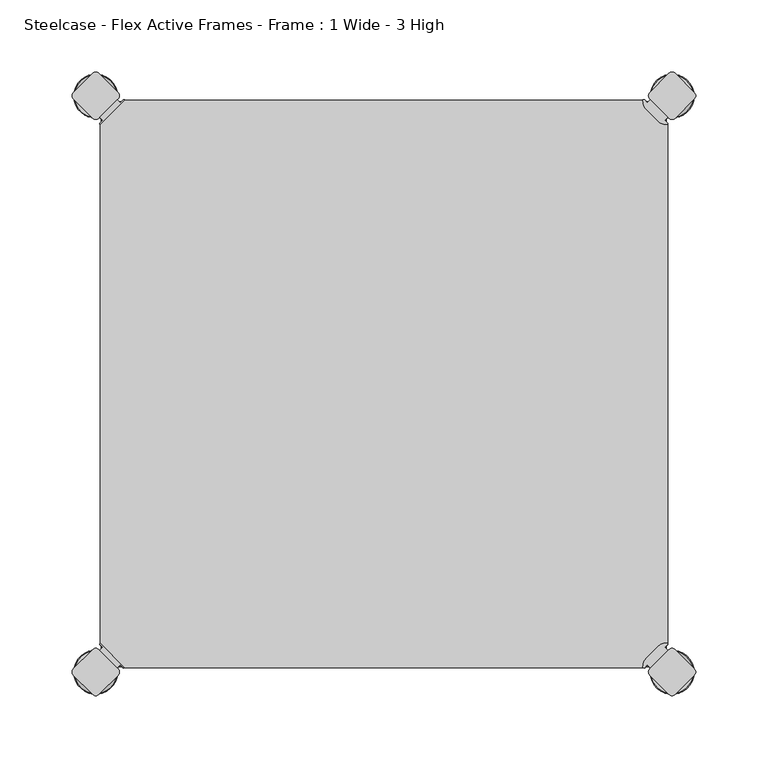
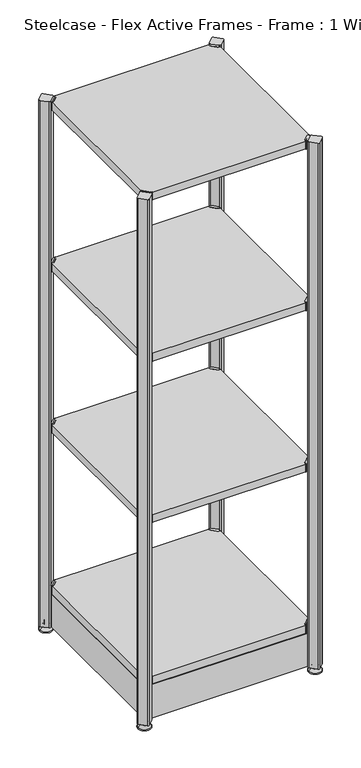
"""IFC4 building model written with IfcOpenShell, lengths in millimetres: furniture geometry, Steelcase - Flex Active Frames - Frame : 1 Wide - 3 High."""

from ifc_helpers import new_model, si_unit, point, frame, frame_2d, origin, place, context, project, spatial, polyline, circle_curve, ellipse_curve, trimmed, segment, composite_curve, outline, extrude, source, transform, mapped, element, save
from ifc_brep_helpers import plane_surface, cylinder_surface, revolved_surface, advanced_brep


def steelcase_flex_active_frames_frame_1_wide_3_high_52087cf2(model_context):
    return source(origin(), model_context, "Body", "SolidModel", [
        advanced_brep(
        [(397.0189896, -396.9286835, 0.0), (410.9677105, -396.9286835, 0.0), (383.0702688, -396.9286835, 0.0), (411.9146181, -396.9286835, 2.116325), (382.1233612, -396.9286835, 2.116325), (405.7623742, -396.9286835, 8.9997406), (388.2756051, -396.9286835, 8.9997406), (404.4198582, -396.9286835, 8.9997406), (389.6181211, -396.9286835, 8.9997406), (404.4198582, -396.9286835, 12.0919909), (389.6181211, -396.9286835, 12.0919909), (403.9118582, -396.9286835, 12.5999909), (390.1261211, -396.9286835, 12.5999909), (401.03832, -396.9286835, 12.5999909), (392.9996593, -396.9286835, 12.5999909), (401.03832, -396.9286835, 22.7146261), (392.9996593, -396.9286835, 22.7146261), (397.0189896, -396.9286835, 22.7146261)],
        [
            (0, 1),
            (1, 2, circle_curve(frame((397.0189896, -396.9286835, 0.0), z_axis=(0.0, 0.0, -1.0), x_axis=(1.0, 0.0, 0.0)), 13.9487209)),
            (2, 0),
            (2, 1, circle_curve(frame((397.0189896, -396.9286835, 0.0), z_axis=(0.0, 0.0, -1.0), x_axis=(1.0, 0.0, 0.0)), 13.9487209)),
            (1, 3, circle_curve(frame((410.9677105, -396.9286835, 1.27), z_axis=(0.0, -1.0, 0.0), x_axis=(1.0, 0.0, 0.0)), 1.27)),
            (3, 4, circle_curve(frame((397.0189896, -396.9286835, 2.116325), z_axis=(0.0, 0.0, -1.0), x_axis=(1.0, 0.0, 0.0)), 14.8956285)),
            (4, 2, circle_curve(frame((383.0702688, -396.9286835, 1.27), z_axis=(0.0, -1.0, 0.0), x_axis=(-1.0, 0.0, 0.0)), 1.27)),
            (4, 3, circle_curve(frame((397.0189896, -396.9286835, 2.116325), z_axis=(0.0, 0.0, -1.0), x_axis=(1.0, 0.0, 0.0)), 14.8956285)),
            (3, 5),
            (5, 6, circle_curve(frame((397.0189896, -396.9286835, 8.9997406), z_axis=(0.0, 0.0, -1.0), x_axis=(1.0, 0.0, 0.0)), 8.7433846)),
            (6, 4),
            (6, 5, circle_curve(frame((397.0189896, -396.9286835, 8.9997406), z_axis=(0.0, 0.0, -1.0), x_axis=(1.0, 0.0, 0.0)), 8.7433846)),
            (5, 7),
            (7, 8, circle_curve(frame((397.0189896, -396.9286835, 8.9997406), z_axis=(0.0, 0.0, -1.0), x_axis=(1.0, 0.0, 0.0)), 7.4008685)),
            (8, 6),
            (8, 7, circle_curve(frame((397.0189896, -396.9286835, 8.9997406), z_axis=(0.0, 0.0, -1.0), x_axis=(1.0, 0.0, 0.0)), 7.4008685)),
            (7, 9),
            (9, 10, circle_curve(frame((397.0189896, -396.9286835, 12.0919909), z_axis=(0.0, 0.0, -1.0), x_axis=(1.0, 0.0, 0.0)), 7.4008685)),
            (10, 8),
            (10, 9, circle_curve(frame((397.0189896, -396.9286835, 12.0919909), z_axis=(0.0, 0.0, -1.0), x_axis=(1.0, 0.0, 0.0)), 7.4008685)),
            (9, 11, circle_curve(frame((403.9118582, -396.9286835, 12.0919909), z_axis=(0.0, -1.0, 0.0), x_axis=(1.0, 0.0, 0.0)), 0.508)),
            (11, 12, circle_curve(frame((397.0189896, -396.9286835, 12.5999909), z_axis=(0.0, 0.0, -1.0), x_axis=(1.0, 0.0, 0.0)), 6.8928685)),
            (12, 10, circle_curve(frame((390.1261211, -396.9286835, 12.0919909), z_axis=(0.0, -1.0, 0.0), x_axis=(-1.0, 0.0, 0.0)), 0.508)),
            (12, 11, circle_curve(frame((397.0189896, -396.9286835, 12.5999909), z_axis=(0.0, 0.0, -1.0), x_axis=(1.0, 0.0, 0.0)), 6.8928685)),
            (11, 13),
            (13, 14, circle_curve(frame((397.0189896, -396.9286835, 12.5999909), z_axis=(0.0, 0.0, -1.0), x_axis=(1.0, 0.0, 0.0)), 4.0193303)),
            (14, 12),
            (14, 13, circle_curve(frame((397.0189896, -396.9286835, 12.5999909), z_axis=(0.0, 0.0, -1.0), x_axis=(1.0, 0.0, 0.0)), 4.0193303)),
            (13, 15),
            (15, 16, circle_curve(frame((397.0189896, -396.9286835, 22.7146261), z_axis=(0.0, 0.0, -1.0), x_axis=(1.0, 0.0, 0.0)), 4.0193303)),
            (16, 14),
            (16, 15, circle_curve(frame((397.0189896, -396.9286835, 22.7146261), z_axis=(0.0, 0.0, -1.0), x_axis=(1.0, 0.0, 0.0)), 4.0193303)),
            (15, 17),
            (17, 16),
        ],
        [
            plane_surface(frame((397.0189896, -396.9286835, 0.0), z_axis=(0.0, 0.0, -1.0), x_axis=(1.0, 0.0, 0.0))),
            revolved_surface(trimmed(ellipse_curve(frame((410.9677105, -396.9286835, 1.27), z_axis=(0.0, 1.0, 0.0), x_axis=(1.0, 0.0, 0.0)), 1.27, 1.27), [point((411.9146181, -396.9286835, 2.116325))], [point((410.9677105, -396.9286835, 0.0))], True, "CARTESIAN"), (397.0189896, -396.9286835, 32.0514718), (0.0, 0.0, -1.0)),
            revolved_surface(polyline([(405.7623742, -396.9286835, 8.9997406), (411.9146181, -396.9286835, 2.116325)]), (397.0189896, -396.9286835, 32.0514718), (0.0, 0.0, -1.0)),
            plane_surface(frame((397.0189896, -396.9286835, 8.9997406), z_axis=(0.0, 0.0, 1.0), x_axis=(1.0, 0.0, 0.0))),
            cylinder_surface(frame((397.0189896, -396.9286835, 32.0514718), z_axis=(0.0, 0.0, -1.0), x_axis=(1.0, 0.0, 0.0)), 7.4008685),
            revolved_surface(trimmed(ellipse_curve(frame((403.9118582, -396.9286835, 12.0919909), z_axis=(0.0, 1.0, 0.0), x_axis=(1.0, 0.0, 0.0)), 0.508, 0.508), [point((403.9118582, -396.9286835, 12.5999909))], [point((404.4198582, -396.9286835, 12.0919909))], True, "CARTESIAN"), (397.0189896, -396.9286835, 32.0514718), (0.0, 0.0, -1.0)),
            plane_surface(frame((397.0189896, -396.9286835, 12.5999909), z_axis=(0.0, 0.0, 1.0), x_axis=(1.0, 0.0, 0.0))),
            cylinder_surface(frame((397.0189896, -396.9286835, 32.0514718), z_axis=(0.0, 0.0, -1.0), x_axis=(1.0, 0.0, 0.0)), 4.0193303),
            plane_surface(frame((397.0189896, -396.9286835, 22.7146261), z_axis=(0.0, 0.0, 1.0), x_axis=(1.0, 0.0, 0.0))),
        ],
        [
            (0, [[1, 2, 3]]),
            (0, [[-3, 4, -1]]),
            (1, [[-2, 5, 6, 7]]),
            (1, [[-4, -7, 8, -5]]),
            (2, [[-6, 9, 10, 11]]),
            (2, [[-8, -11, 12, -9]]),
            (3, [[-10, 13, 14, 15]]),
            (3, [[-12, -15, 16, -13]]),
            (4, [[-14, 17, 18, 19]]),
            (4, [[-16, -19, 20, -17]]),
            (5, [[-18, 21, 22, 23]]),
            (5, [[-20, -23, 24, -21]]),
            (6, [[-22, 25, 26, 27]]),
            (6, [[-24, -27, 28, -25]]),
            (7, [[-26, 29, 30, 31]]),
            (7, [[-28, -31, 32, -29]]),
            (8, [[-30, 33, 34]]),
            (8, [[-32, -34, -33]]),
        ],
    ),
        advanced_brep(
        [(397.0189896, 2.9246323, 0.0), (383.0702688, 2.9246323, 0.0), (410.9677105, 2.9246323, 0.0), (382.1233612, 2.9246323, 2.116325), (411.9146181, 2.9246323, 2.116325), (388.2756051, 2.9246323, 8.9997406), (405.7623742, 2.9246323, 8.9997406), (389.6181211, 2.9246323, 8.9997406), (404.4198582, 2.9246323, 8.9997406), (389.6181211, 2.9246323, 12.0919909), (404.4198582, 2.9246323, 12.0919909), (390.1261211, 2.9246323, 12.5999909), (403.9118582, 2.9246323, 12.5999909), (392.9996593, 2.9246323, 12.5999909), (401.03832, 2.9246323, 12.5999909), (392.9996593, 2.9246323, 22.7146261), (401.03832, 2.9246323, 22.7146261), (397.0189896, 2.9246323, 22.7146261)],
        [
            (0, 1),
            (1, 2, circle_curve(frame((397.0189896, 2.9246323, 0.0), z_axis=(0.0, 0.0, -1.0), x_axis=(1.0, 0.0, 0.0)), 13.9487209)),
            (2, 0),
            (2, 1, circle_curve(frame((397.0189896, 2.9246323, 0.0), z_axis=(0.0, 0.0, -1.0), x_axis=(1.0, 0.0, 0.0)), 13.9487209)),
            (1, 3, circle_curve(frame((383.0702688, 2.9246323, 1.27), z_axis=(0.0, 1.0, 0.0), x_axis=(-1.0, 0.0, 0.0)), 1.27)),
            (3, 4, circle_curve(frame((397.0189896, 2.9246323, 2.116325), z_axis=(0.0, 0.0, -1.0), x_axis=(1.0, 0.0, 0.0)), 14.8956285)),
            (4, 2, circle_curve(frame((410.9677105, 2.9246323, 1.27), z_axis=(0.0, 1.0, 0.0), x_axis=(1.0, 0.0, 0.0)), 1.27)),
            (4, 3, circle_curve(frame((397.0189896, 2.9246323, 2.116325), z_axis=(0.0, 0.0, -1.0), x_axis=(1.0, 0.0, 0.0)), 14.8956285)),
            (3, 5),
            (5, 6, circle_curve(frame((397.0189896, 2.9246323, 8.9997406), z_axis=(0.0, 0.0, -1.0), x_axis=(1.0, 0.0, 0.0)), 8.7433846)),
            (6, 4),
            (6, 5, circle_curve(frame((397.0189896, 2.9246323, 8.9997406), z_axis=(0.0, 0.0, -1.0), x_axis=(1.0, 0.0, 0.0)), 8.7433846)),
            (5, 7),
            (7, 8, circle_curve(frame((397.0189896, 2.9246323, 8.9997406), z_axis=(0.0, 0.0, -1.0), x_axis=(1.0, 0.0, 0.0)), 7.4008685)),
            (8, 6),
            (8, 7, circle_curve(frame((397.0189896, 2.9246323, 8.9997406), z_axis=(0.0, 0.0, -1.0), x_axis=(1.0, 0.0, 0.0)), 7.4008685)),
            (7, 9),
            (9, 10, circle_curve(frame((397.0189896, 2.9246323, 12.0919909), z_axis=(0.0, 0.0, -1.0), x_axis=(1.0, 0.0, 0.0)), 7.4008685)),
            (10, 8),
            (10, 9, circle_curve(frame((397.0189896, 2.9246323, 12.0919909), z_axis=(0.0, 0.0, -1.0), x_axis=(1.0, 0.0, 0.0)), 7.4008685)),
            (9, 11, circle_curve(frame((390.1261211, 2.9246323, 12.0919909), z_axis=(0.0, 1.0, 0.0), x_axis=(-1.0, 0.0, 0.0)), 0.508)),
            (11, 12, circle_curve(frame((397.0189896, 2.9246323, 12.5999909), z_axis=(0.0, 0.0, -1.0), x_axis=(1.0, 0.0, 0.0)), 6.8928685)),
            (12, 10, circle_curve(frame((403.9118582, 2.9246323, 12.0919909), z_axis=(0.0, 1.0, 0.0), x_axis=(1.0, 0.0, 0.0)), 0.508)),
            (12, 11, circle_curve(frame((397.0189896, 2.9246323, 12.5999909), z_axis=(0.0, 0.0, -1.0), x_axis=(1.0, 0.0, 0.0)), 6.8928685)),
            (11, 13),
            (13, 14, circle_curve(frame((397.0189896, 2.9246323, 12.5999909), z_axis=(0.0, 0.0, -1.0), x_axis=(1.0, 0.0, 0.0)), 4.0193303)),
            (14, 12),
            (14, 13, circle_curve(frame((397.0189896, 2.9246323, 12.5999909), z_axis=(0.0, 0.0, -1.0), x_axis=(1.0, 0.0, 0.0)), 4.0193303)),
            (13, 15),
            (15, 16, circle_curve(frame((397.0189896, 2.9246323, 22.7146261), z_axis=(0.0, 0.0, -1.0), x_axis=(1.0, 0.0, 0.0)), 4.0193303)),
            (16, 14),
            (16, 15, circle_curve(frame((397.0189896, 2.9246323, 22.7146261), z_axis=(0.0, 0.0, -1.0), x_axis=(1.0, 0.0, 0.0)), 4.0193303)),
            (15, 17),
            (17, 16),
        ],
        [
            plane_surface(frame((397.0189896, 2.9246323, 0.0), z_axis=(0.0, 0.0, -1.0), x_axis=(1.0, 0.0, 0.0))),
            revolved_surface(trimmed(ellipse_curve(frame((410.9677105, 2.9246323, 1.27), z_axis=(0.0, 1.0, 0.0), x_axis=(1.0, 0.0, 0.0)), 1.27, 1.27), [point((411.9146181, 2.9246323, 2.116325))], [point((410.9677105, 2.9246323, 0.0))], True, "CARTESIAN"), (397.0189896, 2.9246323, 32.0514718), (0.0, 0.0, -1.0)),
            revolved_surface(polyline([(405.7623742, 2.9246323, 8.9997406), (411.9146181, 2.9246323, 2.116325)]), (397.0189896, 2.9246323, 32.0514718), (0.0, 0.0, -1.0)),
            plane_surface(frame((397.0189896, 2.9246323, 8.9997406), z_axis=(0.0, 0.0, 1.0), x_axis=(1.0, 0.0, 0.0))),
            cylinder_surface(frame((397.0189896, 2.9246323, 32.0514718), z_axis=(0.0, 0.0, -1.0), x_axis=(1.0, 0.0, 0.0)), 7.4008685),
            revolved_surface(trimmed(ellipse_curve(frame((403.9118582, 2.9246323, 12.0919909), z_axis=(0.0, 1.0, 0.0), x_axis=(1.0, 0.0, 0.0)), 0.508, 0.508), [point((403.9118582, 2.9246323, 12.5999909))], [point((404.4198582, 2.9246323, 12.0919909))], True, "CARTESIAN"), (397.0189896, 2.9246323, 32.0514718), (0.0, 0.0, -1.0)),
            plane_surface(frame((397.0189896, 2.9246323, 12.5999909), z_axis=(0.0, 0.0, 1.0), x_axis=(1.0, 0.0, 0.0))),
            cylinder_surface(frame((397.0189896, 2.9246323, 32.0514718), z_axis=(0.0, 0.0, -1.0), x_axis=(1.0, 0.0, 0.0)), 4.0193303),
            plane_surface(frame((397.0189896, 2.9246323, 22.7146261), z_axis=(0.0, 0.0, 1.0), x_axis=(1.0, 0.0, 0.0))),
        ],
        [
            (0, [[1, 2, 3]]),
            (0, [[-3, 4, -1]]),
            (1, [[5, 6, 7, -2]]),
            (1, [[-7, 8, -5, -4]]),
            (2, [[9, 10, 11, -6]]),
            (2, [[-11, 12, -9, -8]]),
            (3, [[13, 14, 15, -10]]),
            (3, [[-15, 16, -13, -12]]),
            (4, [[17, 18, 19, -14]]),
            (4, [[-19, 20, -17, -16]]),
            (5, [[21, 22, 23, -18]]),
            (5, [[-23, 24, -21, -20]]),
            (6, [[25, 26, 27, -22]]),
            (6, [[-27, 28, -25, -24]]),
            (7, [[29, 30, 31, -26]]),
            (7, [[-31, 32, -29, -28]]),
            (8, [[33, 34, -30]]),
            (8, [[-34, -33, -32]]),
        ],
    ),
        advanced_brep(
        [(-3.0195166, -396.8786323, 0.0), (10.9292042, -396.8786323, 0.0), (-16.9682375, -396.8786323, 0.0), (11.8761118, -396.8786323, 2.116325), (-17.9151451, -396.8786323, 2.116325), (5.7238679, -396.8786323, 8.9997406), (-11.7629012, -396.8786323, 8.9997406), (4.3813519, -396.8786323, 8.9997406), (-10.4203852, -396.8786323, 8.9997406), (4.3813519, -396.8786323, 12.0919909), (-10.4203852, -396.8786323, 12.0919909), (3.8733519, -396.8786323, 12.5999909), (-9.9123852, -396.8786323, 12.5999909), (0.9998137, -396.8786323, 12.5999909), (-7.038847, -396.8786323, 12.5999909), (0.9998137, -396.8786323, 22.7146261), (-7.038847, -396.8786323, 22.7146261), (-3.0195166, -396.8786323, 22.7146261)],
        [
            (0, 1),
            (1, 2, circle_curve(frame((-3.0195166, -396.8786323, 0.0), z_axis=(0.0, 0.0, -1.0), x_axis=(-1.0, 0.0, 0.0)), 13.9487209)),
            (2, 0),
            (2, 1, circle_curve(frame((-3.0195166, -396.8786323, 0.0), z_axis=(0.0, 0.0, -1.0), x_axis=(-1.0, 0.0, 0.0)), 13.9487209)),
            (1, 3, circle_curve(frame((10.9292042, -396.8786323, 1.27), z_axis=(0.0, -1.0, 0.0), x_axis=(1.0, 0.0, 0.0)), 1.27)),
            (3, 4, circle_curve(frame((-3.0195166, -396.8786323, 2.116325), z_axis=(0.0, 0.0, -1.0), x_axis=(-1.0, 0.0, 0.0)), 14.8956285)),
            (4, 2, circle_curve(frame((-16.9682375, -396.8786323, 1.27), z_axis=(0.0, -1.0, 0.0), x_axis=(-1.0, 0.0, 0.0)), 1.27)),
            (4, 3, circle_curve(frame((-3.0195166, -396.8786323, 2.116325), z_axis=(0.0, 0.0, -1.0), x_axis=(-1.0, 0.0, 0.0)), 14.8956285)),
            (3, 5),
            (5, 6, circle_curve(frame((-3.0195166, -396.8786323, 8.9997406), z_axis=(0.0, 0.0, -1.0), x_axis=(-1.0, 0.0, 0.0)), 8.7433846)),
            (6, 4),
            (6, 5, circle_curve(frame((-3.0195166, -396.8786323, 8.9997406), z_axis=(0.0, 0.0, -1.0), x_axis=(-1.0, 0.0, 0.0)), 8.7433846)),
            (5, 7),
            (7, 8, circle_curve(frame((-3.0195166, -396.8786323, 8.9997406), z_axis=(0.0, 0.0, -1.0), x_axis=(-1.0, 0.0, 0.0)), 7.4008685)),
            (8, 6),
            (8, 7, circle_curve(frame((-3.0195166, -396.8786323, 8.9997406), z_axis=(0.0, 0.0, -1.0), x_axis=(-1.0, 0.0, 0.0)), 7.4008685)),
            (7, 9),
            (9, 10, circle_curve(frame((-3.0195166, -396.8786323, 12.0919909), z_axis=(0.0, 0.0, -1.0), x_axis=(-1.0, 0.0, 0.0)), 7.4008685)),
            (10, 8),
            (10, 9, circle_curve(frame((-3.0195166, -396.8786323, 12.0919909), z_axis=(0.0, 0.0, -1.0), x_axis=(-1.0, 0.0, 0.0)), 7.4008685)),
            (9, 11, circle_curve(frame((3.8733519, -396.8786323, 12.0919909), z_axis=(0.0, -1.0, 0.0), x_axis=(1.0, 0.0, 0.0)), 0.508)),
            (11, 12, circle_curve(frame((-3.0195166, -396.8786323, 12.5999909), z_axis=(0.0, 0.0, -1.0), x_axis=(-1.0, 0.0, 0.0)), 6.8928685)),
            (12, 10, circle_curve(frame((-9.9123852, -396.8786323, 12.0919909), z_axis=(0.0, -1.0, 0.0), x_axis=(-1.0, 0.0, 0.0)), 0.508)),
            (12, 11, circle_curve(frame((-3.0195166, -396.8786323, 12.5999909), z_axis=(0.0, 0.0, -1.0), x_axis=(-1.0, 0.0, 0.0)), 6.8928685)),
            (11, 13),
            (13, 14, circle_curve(frame((-3.0195166, -396.8786323, 12.5999909), z_axis=(0.0, 0.0, -1.0), x_axis=(-1.0, 0.0, 0.0)), 4.0193303)),
            (14, 12),
            (14, 13, circle_curve(frame((-3.0195166, -396.8786323, 12.5999909), z_axis=(0.0, 0.0, -1.0), x_axis=(-1.0, 0.0, 0.0)), 4.0193303)),
            (13, 15),
            (15, 16, circle_curve(frame((-3.0195166, -396.8786323, 22.7146261), z_axis=(0.0, 0.0, -1.0), x_axis=(-1.0, 0.0, 0.0)), 4.0193303)),
            (16, 14),
            (16, 15, circle_curve(frame((-3.0195166, -396.8786323, 22.7146261), z_axis=(0.0, 0.0, -1.0), x_axis=(-1.0, 0.0, 0.0)), 4.0193303)),
            (15, 17),
            (17, 16),
        ],
        [
            plane_surface(frame((-3.0195166, -396.8786323, 0.0), z_axis=(0.0, 0.0, -1.0), x_axis=(-1.0, 0.0, 0.0))),
            revolved_surface(trimmed(ellipse_curve(frame((-16.9682375, -396.8786323, 1.27), z_axis=(0.0, -1.0, 0.0), x_axis=(-1.0, 0.0, 0.0)), 1.27, 1.27), [point((-17.9151451, -396.8786323, 2.116325))], [point((-16.9682375, -396.8786323, 0.0))], True, "CARTESIAN"), (-3.0195166, -396.8786323, 32.0514718), (0.0, 0.0, -1.0)),
            revolved_surface(polyline([(-11.7629012, -396.8786323, 8.9997406), (-17.9151451, -396.8786323, 2.116325)]), (-3.0195166, -396.8786323, 32.0514718), (0.0, 0.0, -1.0)),
            plane_surface(frame((-3.0195166, -396.8786323, 8.9997406), z_axis=(0.0, 0.0, 1.0), x_axis=(-1.0, 0.0, 0.0))),
            cylinder_surface(frame((-3.0195166, -396.8786323, 32.0514718), z_axis=(0.0, 0.0, -1.0), x_axis=(-1.0, 0.0, 0.0)), 7.4008685),
            revolved_surface(trimmed(ellipse_curve(frame((-9.9123852, -396.8786323, 12.0919909), z_axis=(0.0, -1.0, 0.0), x_axis=(-1.0, 0.0, 0.0)), 0.508, 0.508), [point((-9.9123852, -396.8786323, 12.5999909))], [point((-10.4203852, -396.8786323, 12.0919909))], True, "CARTESIAN"), (-3.0195166, -396.8786323, 32.0514718), (0.0, 0.0, -1.0)),
            plane_surface(frame((-3.0195166, -396.8786323, 12.5999909), z_axis=(0.0, 0.0, 1.0), x_axis=(-1.0, 0.0, 0.0))),
            cylinder_surface(frame((-3.0195166, -396.8786323, 32.0514718), z_axis=(0.0, 0.0, -1.0), x_axis=(-1.0, 0.0, 0.0)), 4.0193303),
            plane_surface(frame((-3.0195166, -396.8786323, 22.7146261), z_axis=(0.0, 0.0, 1.0), x_axis=(-1.0, 0.0, 0.0))),
        ],
        [
            (0, [[1, 2, 3]]),
            (0, [[-3, 4, -1]]),
            (1, [[5, 6, 7, -2]]),
            (1, [[-7, 8, -5, -4]]),
            (2, [[9, 10, 11, -6]]),
            (2, [[-11, 12, -9, -8]]),
            (3, [[13, 14, 15, -10]]),
            (3, [[-15, 16, -13, -12]]),
            (4, [[17, 18, 19, -14]]),
            (4, [[-19, 20, -17, -16]]),
            (5, [[21, 22, 23, -18]]),
            (5, [[-23, 24, -21, -20]]),
            (6, [[25, 26, 27, -22]]),
            (6, [[-27, 28, -25, -24]]),
            (7, [[29, 30, 31, -26]]),
            (7, [[-31, 32, -29, -28]]),
            (8, [[33, 34, -30]]),
            (8, [[-34, -33, -32]]),
        ],
    ),
        advanced_brep(
        [(-3.0195166, 2.9246323, 0.0), (-16.9682375, 2.9246323, 0.0), (10.9292042, 2.9246323, 0.0), (-17.9151451, 2.9246323, 2.116325), (11.8761118, 2.9246323, 2.116325), (-11.7629012, 2.9246323, 8.9997406), (5.7238679, 2.9246323, 8.9997406), (-10.4203852, 2.9246323, 8.9997406), (4.3813519, 2.9246323, 8.9997406), (-10.4203852, 2.9246323, 12.0919909), (4.3813519, 2.9246323, 12.0919909), (-9.9123852, 2.9246323, 12.5999909), (3.8733519, 2.9246323, 12.5999909), (-7.038847, 2.9246323, 12.5999909), (0.9998137, 2.9246323, 12.5999909), (-7.038847, 2.9246323, 22.7146261), (0.9998137, 2.9246323, 22.7146261), (-3.0195166, 2.9246323, 22.7146261)],
        [
            (0, 1),
            (1, 2, circle_curve(frame((-3.0195166, 2.9246323, 0.0), z_axis=(0.0, 0.0, -1.0), x_axis=(-1.0, 0.0, 0.0)), 13.9487209)),
            (2, 0),
            (2, 1, circle_curve(frame((-3.0195166, 2.9246323, 0.0), z_axis=(0.0, 0.0, -1.0), x_axis=(-1.0, 0.0, 0.0)), 13.9487209)),
            (1, 3, circle_curve(frame((-16.9682375, 2.9246323, 1.27), z_axis=(0.0, 1.0, 0.0), x_axis=(-1.0, 0.0, 0.0)), 1.27)),
            (3, 4, circle_curve(frame((-3.0195166, 2.9246323, 2.116325), z_axis=(0.0, 0.0, -1.0), x_axis=(-1.0, 0.0, 0.0)), 14.8956285)),
            (4, 2, circle_curve(frame((10.9292042, 2.9246323, 1.27), z_axis=(0.0, 1.0, 0.0), x_axis=(1.0, 0.0, 0.0)), 1.27)),
            (4, 3, circle_curve(frame((-3.0195166, 2.9246323, 2.116325), z_axis=(0.0, 0.0, -1.0), x_axis=(-1.0, 0.0, 0.0)), 14.8956285)),
            (3, 5),
            (5, 6, circle_curve(frame((-3.0195166, 2.9246323, 8.9997406), z_axis=(0.0, 0.0, -1.0), x_axis=(-1.0, 0.0, 0.0)), 8.7433846)),
            (6, 4),
            (6, 5, circle_curve(frame((-3.0195166, 2.9246323, 8.9997406), z_axis=(0.0, 0.0, -1.0), x_axis=(-1.0, 0.0, 0.0)), 8.7433846)),
            (5, 7),
            (7, 8, circle_curve(frame((-3.0195166, 2.9246323, 8.9997406), z_axis=(0.0, 0.0, -1.0), x_axis=(-1.0, 0.0, 0.0)), 7.4008685)),
            (8, 6),
            (8, 7, circle_curve(frame((-3.0195166, 2.9246323, 8.9997406), z_axis=(0.0, 0.0, -1.0), x_axis=(-1.0, 0.0, 0.0)), 7.4008685)),
            (7, 9),
            (9, 10, circle_curve(frame((-3.0195166, 2.9246323, 12.0919909), z_axis=(0.0, 0.0, -1.0), x_axis=(-1.0, 0.0, 0.0)), 7.4008685)),
            (10, 8),
            (10, 9, circle_curve(frame((-3.0195166, 2.9246323, 12.0919909), z_axis=(0.0, 0.0, -1.0), x_axis=(-1.0, 0.0, 0.0)), 7.4008685)),
            (9, 11, circle_curve(frame((-9.9123852, 2.9246323, 12.0919909), z_axis=(0.0, 1.0, 0.0), x_axis=(-1.0, 0.0, 0.0)), 0.508)),
            (11, 12, circle_curve(frame((-3.0195166, 2.9246323, 12.5999909), z_axis=(0.0, 0.0, -1.0), x_axis=(-1.0, 0.0, 0.0)), 6.8928685)),
            (12, 10, circle_curve(frame((3.8733519, 2.9246323, 12.0919909), z_axis=(0.0, 1.0, 0.0), x_axis=(1.0, 0.0, 0.0)), 0.508)),
            (12, 11, circle_curve(frame((-3.0195166, 2.9246323, 12.5999909), z_axis=(0.0, 0.0, -1.0), x_axis=(-1.0, 0.0, 0.0)), 6.8928685)),
            (11, 13),
            (13, 14, circle_curve(frame((-3.0195166, 2.9246323, 12.5999909), z_axis=(0.0, 0.0, -1.0), x_axis=(-1.0, 0.0, 0.0)), 4.0193303)),
            (14, 12),
            (14, 13, circle_curve(frame((-3.0195166, 2.9246323, 12.5999909), z_axis=(0.0, 0.0, -1.0), x_axis=(-1.0, 0.0, 0.0)), 4.0193303)),
            (13, 15),
            (15, 16, circle_curve(frame((-3.0195166, 2.9246323, 22.7146261), z_axis=(0.0, 0.0, -1.0), x_axis=(-1.0, 0.0, 0.0)), 4.0193303)),
            (16, 14),
            (16, 15, circle_curve(frame((-3.0195166, 2.9246323, 22.7146261), z_axis=(0.0, 0.0, -1.0), x_axis=(-1.0, 0.0, 0.0)), 4.0193303)),
            (15, 17),
            (17, 16),
        ],
        [
            plane_surface(frame((-3.0195166, 2.9246323, 0.0), z_axis=(0.0, 0.0, -1.0), x_axis=(-1.0, 0.0, 0.0))),
            revolved_surface(trimmed(ellipse_curve(frame((-16.9682375, 2.9246323, 1.27), z_axis=(0.0, -1.0, 0.0), x_axis=(-1.0, 0.0, 0.0)), 1.27, 1.27), [point((-17.9151451, 2.9246323, 2.116325))], [point((-16.9682375, 2.9246323, 0.0))], True, "CARTESIAN"), (-3.0195166, 2.9246323, 32.0514718), (0.0, 0.0, -1.0)),
            revolved_surface(polyline([(-11.7629012, 2.9246323, 8.9997406), (-17.9151451, 2.9246323, 2.116325)]), (-3.0195166, 2.9246323, 32.0514718), (0.0, 0.0, -1.0)),
            plane_surface(frame((-3.0195166, 2.9246323, 8.9997406), z_axis=(0.0, 0.0, 1.0), x_axis=(-1.0, 0.0, 0.0))),
            cylinder_surface(frame((-3.0195166, 2.9246323, 32.0514718), z_axis=(0.0, 0.0, -1.0), x_axis=(-1.0, 0.0, 0.0)), 7.4008685),
            revolved_surface(trimmed(ellipse_curve(frame((-9.9123852, 2.9246323, 12.0919909), z_axis=(0.0, -1.0, 0.0), x_axis=(-1.0, 0.0, 0.0)), 0.508, 0.508), [point((-9.9123852, 2.9246323, 12.5999909))], [point((-10.4203852, 2.9246323, 12.0919909))], True, "CARTESIAN"), (-3.0195166, 2.9246323, 32.0514718), (0.0, 0.0, -1.0)),
            plane_surface(frame((-3.0195166, 2.9246323, 12.5999909), z_axis=(0.0, 0.0, 1.0), x_axis=(-1.0, 0.0, 0.0))),
            cylinder_surface(frame((-3.0195166, 2.9246323, 32.0514718), z_axis=(0.0, 0.0, -1.0), x_axis=(-1.0, 0.0, 0.0)), 4.0193303),
            plane_surface(frame((-3.0195166, 2.9246323, 22.7146261), z_axis=(0.0, 0.0, 1.0), x_axis=(-1.0, 0.0, 0.0))),
        ],
        [
            (0, [[1, 2, 3]]),
            (0, [[-3, 4, -1]]),
            (1, [[-2, 5, 6, 7]]),
            (1, [[-4, -7, 8, -5]]),
            (2, [[-6, 9, 10, 11]]),
            (2, [[-8, -11, 12, -9]]),
            (3, [[-10, 13, 14, 15]]),
            (3, [[-12, -15, 16, -13]]),
            (4, [[-14, 17, 18, 19]]),
            (4, [[-16, -19, 20, -17]]),
            (5, [[-18, 21, 22, 23]]),
            (5, [[-20, -23, 24, -21]]),
            (6, [[-22, 25, 26, 27]]),
            (6, [[-24, -27, 28, -25]]),
            (7, [[-26, 29, 30, 31]]),
            (7, [[-28, -31, 32, -29]]),
            (8, [[-30, 33, 34]]),
            (8, [[-32, -34, -33]]),
        ],
    ),
        extrude(outline(composite_curve([segment(polyline([(379.8559087, -1.93874), (381.9438741, 0.1493247), (394.1381758, -12.044977), (392.050245, -14.1329326), (394.0211787, -16.1038431), (394.0089928, -17.203916), (391.2738542, -16.8384277)]), True, "CONTINUOUS"), segment(trimmed(circle_curve(frame_2d((392.1149096, -10.5443729)), 6.35), [point((391.2738542, -16.8384277))], [point((387.6247514, -15.0344708))], False, "CARTESIAN"), True, "CONTINUOUS"), segment(polyline([(387.6247514, -15.0344708), (378.9554584, -6.3650612)]), True, "CONTINUOUS"), segment(trimmed(circle_curve(frame_2d((383.4456166, -1.8749633)), 6.35), [point((378.9554584, -6.3650612))], [point((377.1515853, -2.7161946))], False, "CARTESIAN"), True, "CONTINUOUS"), segment(polyline([(377.1515853, -2.7161946), (376.786013, 0.0189911), (377.8859459, 0.0311996), (379.8559087, -1.93874)]), True, "CONTINUOUS")], self_intersect=False)), frame((0.0, 0.0, 1296.4822014), z_axis=(0.0, 0.0, 1.0), x_axis=(1.0, 0.0, 0.0)), (0.0, 0.0, 1.0), 20.2281258),
        extrude(outline(composite_curve([segment(polyline([(379.8559087, -392.01526), (377.8859459, -393.9851996), (376.786013, -393.9729911), (377.1515853, -391.2378054)]), True, "CONTINUOUS"), segment(trimmed(circle_curve(frame_2d((383.4456166, -392.0790367)), 6.35), [point((377.1515853, -391.2378054))], [point((378.9554584, -387.5889388))], False, "CARTESIAN"), True, "CONTINUOUS"), segment(polyline([(378.9554584, -387.5889388), (387.6247514, -378.9195292)]), True, "CONTINUOUS"), segment(trimmed(circle_curve(frame_2d((392.1149096, -383.4096271)), 6.35), [point((387.6247514, -378.9195292))], [point((391.2738542, -377.1155723))], False, "CARTESIAN"), True, "CONTINUOUS"), segment(polyline([(391.2738542, -377.1155723), (394.0089928, -376.750084), (394.0211787, -377.8501569), (392.050245, -379.8210674), (394.1381758, -381.909023), (381.9438741, -394.1033247), (379.8559087, -392.01526)]), True, "CONTINUOUS")], self_intersect=False)), frame((0.0, 0.0, 1296.4822014), z_axis=(0.0, 0.0, 1.0), x_axis=(1.0, 0.0, 0.0)), (0.0, 0.0, 1.0), 20.2281258),
        extrude(outline(polyline([(0.0003876, -376.7599914), (0.0003876, -17.1940086), (17.1943962, 0.0), (376.8050768, 0.0), (393.9990854, -17.1940086), (393.9990854, -376.7599914), (376.8050768, -393.954), (17.1943962, -393.954), (0.0003876, -376.7599914)])), frame((0.0, 0.0, 1297.499678), z_axis=(0.0, 0.0, 1.0), x_axis=(1.0, 0.0, 0.0)), (0.0, 0.0, 1.0), 19.0000031),
        extrude(outline(composite_curve([segment(polyline([(14.1435643, -1.93874), (16.1135271, 0.0311996), (17.21346, 0.0189911), (16.8478877, -2.7161946)]), True, "CONTINUOUS"), segment(trimmed(circle_curve(frame_2d((10.5538564, -1.8749633)), 6.35), [point((16.8478877, -2.7161946))], [point((15.0440146, -6.3650612))], False, "CARTESIAN"), True, "CONTINUOUS"), segment(polyline([(15.0440146, -6.3650612), (6.3747216, -15.0344708)]), True, "CONTINUOUS"), segment(trimmed(circle_curve(frame_2d((1.8845634, -10.5443729)), 6.35), [point((6.3747216, -15.0344708))], [point((2.7256188, -16.8384277))], False, "CARTESIAN"), True, "CONTINUOUS"), segment(polyline([(2.7256188, -16.8384277), (-0.0095198, -17.203916), (-0.0217057, -16.1038431), (1.949228, -14.1329326), (-0.1387028, -12.044977), (12.0555989, 0.1493247), (14.1435643, -1.93874)]), True, "CONTINUOUS")], self_intersect=False)), frame((0.0, 0.0, 1296.4822014), z_axis=(0.0, 0.0, 1.0), x_axis=(1.0, 0.0, 0.0)), (0.0, 0.0, 1.0), 20.2281258),
        extrude(outline(composite_curve([segment(polyline([(14.1435643, -392.01526), (12.0555989, -394.1033247), (-0.1387028, -381.909023), (1.949228, -379.8210674), (-0.0217057, -377.8501569), (-0.0095198, -376.750084), (2.7256188, -377.1155723)]), True, "CONTINUOUS"), segment(trimmed(circle_curve(frame_2d((1.8845634, -383.4096271)), 6.35), [point((2.7256188, -377.1155723))], [point((6.3747216, -378.9195292))], False, "CARTESIAN"), True, "CONTINUOUS"), segment(polyline([(6.3747216, -378.9195292), (15.0440146, -387.5889388)]), True, "CONTINUOUS"), segment(trimmed(circle_curve(frame_2d((10.5538564, -392.0790367)), 6.35), [point((15.0440146, -387.5889388))], [point((16.8478877, -391.2378054))], False, "CARTESIAN"), True, "CONTINUOUS"), segment(polyline([(16.8478877, -391.2378054), (17.21346, -393.9729911), (16.1135271, -393.9851996), (14.1435643, -392.01526)]), True, "CONTINUOUS")], self_intersect=False)), frame((0.0, 0.0, 1296.4822014), z_axis=(0.0, 0.0, 1.0), x_axis=(1.0, 0.0, 0.0)), (0.0, 0.0, 1.0), 20.2281258),
        extrude(outline(composite_curve([segment(polyline([(379.8559087, -1.93874), (381.9438741, 0.1493247), (394.1381758, -12.044977), (392.050245, -14.1329326), (394.0211787, -16.1038431), (394.0089928, -17.203916), (391.2738542, -16.8384277)]), True, "CONTINUOUS"), segment(trimmed(circle_curve(frame_2d((392.1149096, -10.5443729)), 6.35), [point((391.2738542, -16.8384277))], [point((387.6247514, -15.0344708))], False, "CARTESIAN"), True, "CONTINUOUS"), segment(polyline([(387.6247514, -15.0344708), (378.9554584, -6.3650612)]), True, "CONTINUOUS"), segment(trimmed(circle_curve(frame_2d((383.4456166, -1.8749633)), 6.35), [point((378.9554584, -6.3650612))], [point((377.1515853, -2.7161946))], False, "CARTESIAN"), True, "CONTINUOUS"), segment(polyline([(377.1515853, -2.7161946), (376.786013, 0.0189911), (377.8859459, 0.0311996), (379.8559087, -1.93874)]), True, "CONTINUOUS")], self_intersect=False)), frame((0.0, 0.0, 896.4822952), z_axis=(0.0, 0.0, 1.0), x_axis=(1.0, 0.0, 0.0)), (0.0, 0.0, 1.0), 20.2281258),
        extrude(outline(composite_curve([segment(polyline([(379.8559087, -392.01526), (377.8859459, -393.9851996), (376.786013, -393.9729911), (377.1515853, -391.2378054)]), True, "CONTINUOUS"), segment(trimmed(circle_curve(frame_2d((383.4456166, -392.0790367)), 6.35), [point((377.1515853, -391.2378054))], [point((378.9554584, -387.5889388))], False, "CARTESIAN"), True, "CONTINUOUS"), segment(polyline([(378.9554584, -387.5889388), (387.6247514, -378.9195292)]), True, "CONTINUOUS"), segment(trimmed(circle_curve(frame_2d((392.1149096, -383.4096271)), 6.35), [point((387.6247514, -378.9195292))], [point((391.2738542, -377.1155723))], False, "CARTESIAN"), True, "CONTINUOUS"), segment(polyline([(391.2738542, -377.1155723), (394.0089928, -376.750084), (394.0211787, -377.8501569), (392.050245, -379.8210674), (394.1381758, -381.909023), (381.9438741, -394.1033247), (379.8559087, -392.01526)]), True, "CONTINUOUS")], self_intersect=False)), frame((0.0, 0.0, 896.4822952), z_axis=(0.0, 0.0, 1.0), x_axis=(1.0, 0.0, 0.0)), (0.0, 0.0, 1.0), 20.2281258),
        extrude(outline(composite_curve([segment(polyline([(379.8559087, -1.93874), (381.9438741, 0.1493247), (394.1381758, -12.044977), (392.050245, -14.1329326), (394.0211787, -16.1038431), (394.0089928, -17.203916), (391.2738542, -16.8384277)]), True, "CONTINUOUS"), segment(trimmed(circle_curve(frame_2d((392.1149096, -10.5443729)), 6.35), [point((391.2738542, -16.8384277))], [point((387.6247514, -15.0344708))], False, "CARTESIAN"), True, "CONTINUOUS"), segment(polyline([(387.6247514, -15.0344708), (378.9554584, -6.3650612)]), True, "CONTINUOUS"), segment(trimmed(circle_curve(frame_2d((383.4456166, -1.8749633)), 6.35), [point((378.9554584, -6.3650612))], [point((377.1515853, -2.7161946))], False, "CARTESIAN"), True, "CONTINUOUS"), segment(polyline([(377.1515853, -2.7161946), (376.786013, 0.0189911), (377.8859459, 0.0311996), (379.8559087, -1.93874)]), True, "CONTINUOUS")], self_intersect=False)), frame((0.0, 0.0, 496.4821468), z_axis=(0.0, 0.0, 1.0), x_axis=(1.0, 0.0, 0.0)), (0.0, 0.0, 1.0), 20.2281258),
        extrude(outline(composite_curve([segment(polyline([(379.8559087, -392.01526), (377.8859459, -393.9851996), (376.786013, -393.9729911), (377.1515853, -391.2378054)]), True, "CONTINUOUS"), segment(trimmed(circle_curve(frame_2d((383.4456166, -392.0790367)), 6.35), [point((377.1515853, -391.2378054))], [point((378.9554584, -387.5889388))], False, "CARTESIAN"), True, "CONTINUOUS"), segment(polyline([(378.9554584, -387.5889388), (387.6247514, -378.9195292)]), True, "CONTINUOUS"), segment(trimmed(circle_curve(frame_2d((392.1149096, -383.4096271)), 6.35), [point((387.6247514, -378.9195292))], [point((391.2738542, -377.1155723))], False, "CARTESIAN"), True, "CONTINUOUS"), segment(polyline([(391.2738542, -377.1155723), (394.0089928, -376.750084), (394.0211787, -377.8501569), (392.050245, -379.8210674), (394.1381758, -381.909023), (381.9438741, -394.1033247), (379.8559087, -392.01526)]), True, "CONTINUOUS")], self_intersect=False)), frame((0.0, 0.0, 496.4821468), z_axis=(0.0, 0.0, 1.0), x_axis=(1.0, 0.0, 0.0)), (0.0, 0.0, 1.0), 20.2281258),
        extrude(outline(composite_curve([segment(polyline([(379.8559087, -1.93874), (381.9438741, 0.1493247), (394.1381758, -12.044977), (392.050245, -14.1329326), (394.0211787, -16.1038431), (394.0089928, -17.203916), (391.2738542, -16.8384277)]), True, "CONTINUOUS"), segment(trimmed(circle_curve(frame_2d((392.1149096, -10.5443729)), 6.35), [point((391.2738542, -16.8384277))], [point((387.6247514, -15.0344708))], False, "CARTESIAN"), True, "CONTINUOUS"), segment(polyline([(387.6247514, -15.0344708), (378.9554584, -6.3650612)]), True, "CONTINUOUS"), segment(trimmed(circle_curve(frame_2d((383.4456166, -1.8749633)), 6.35), [point((378.9554584, -6.3650612))], [point((377.1515853, -2.7161946))], False, "CARTESIAN"), True, "CONTINUOUS"), segment(polyline([(377.1515853, -2.7161946), (376.786013, 0.0189911), (377.8859459, 0.0311996), (379.8559087, -1.93874)]), True, "CONTINUOUS")], self_intersect=False)), frame((0.0, 0.0, 96.4824829), z_axis=(0.0, 0.0, 1.0), x_axis=(1.0, 0.0, 0.0)), (0.0, 0.0, 1.0), 20.2281258),
        extrude(outline(composite_curve([segment(polyline([(379.8559087, -392.01526), (377.8859459, -393.9851996), (376.786013, -393.9729911), (377.1515853, -391.2378054)]), True, "CONTINUOUS"), segment(trimmed(circle_curve(frame_2d((383.4456166, -392.0790367)), 6.35), [point((377.1515853, -391.2378054))], [point((378.9554584, -387.5889388))], False, "CARTESIAN"), True, "CONTINUOUS"), segment(polyline([(378.9554584, -387.5889388), (387.6247514, -378.9195292)]), True, "CONTINUOUS"), segment(trimmed(circle_curve(frame_2d((392.1149096, -383.4096271)), 6.35), [point((387.6247514, -378.9195292))], [point((391.2738542, -377.1155723))], False, "CARTESIAN"), True, "CONTINUOUS"), segment(polyline([(391.2738542, -377.1155723), (394.0089928, -376.750084), (394.0211787, -377.8501569), (392.050245, -379.8210674), (394.1381758, -381.909023), (381.9438741, -394.1033247), (379.8559087, -392.01526)]), True, "CONTINUOUS")], self_intersect=False)), frame((0.0, 0.0, 96.4824829), z_axis=(0.0, 0.0, 1.0), x_axis=(1.0, 0.0, 0.0)), (0.0, 0.0, 1.0), 20.2281258),
        extrude(outline(composite_curve([segment(trimmed(circle_curve(frame_2d((410.3732751, 2.9983545)), 3.048), [point((412.5285497, 5.1536029))], [point((412.5285235, 0.8430799))], False, "CARTESIAN"), True, "CONTINUOUS"), segment(polyline([(412.5285235, 0.8430799), (399.1657586, -12.5195224)]), True, "CONTINUOUS"), segment(trimmed(circle_curve(frame_2d((397.0105103, -10.3642478)), 3.048), [point((399.1657586, -12.5195224))], [point((394.8552379, -12.5194983))], False, "CARTESIAN"), True, "CONTINUOUS"), segment(polyline([(394.8552379, -12.5194983), (381.4927586, 0.8431164)]), True, "CONTINUOUS"), segment(trimmed(circle_curve(frame_2d((383.648031, 2.998367)), 3.048), [point((381.4927586, 0.8431164))], [point((381.4927695, 5.1536284))], False, "CARTESIAN"), True, "CONTINUOUS"), segment(polyline([(381.4927695, 5.1536284), (394.8554666, 18.5163256)]), True, "CONTINUOUS"), segment(trimmed(circle_curve(frame_2d((397.0107281, 16.3610641)), 3.048), [point((394.8554666, 18.5163256))], [point((399.1660027, 18.5163124))], False, "CARTESIAN"), True, "CONTINUOUS"), segment(polyline([(399.1660027, 18.5163124), (412.5285497, 5.1536029)]), True, "CONTINUOUS")], self_intersect=False)), frame((0.0, 0.0, 12.5999909), z_axis=(0.0, 0.0, 1.0), x_axis=(1.0, 0.0, 0.0)), (0.0, 0.0, 1.0), 1303.8820091),
        extrude(outline(composite_curve([segment(polyline([(412.5285497, -399.1076029), (399.1660027, -412.4703124)]), True, "CONTINUOUS"), segment(trimmed(circle_curve(frame_2d((397.0107281, -410.3150641)), 3.048), [point((399.1660027, -412.4703124))], [point((394.8554666, -412.4703256))], False, "CARTESIAN"), True, "CONTINUOUS"), segment(polyline([(394.8554666, -412.4703256), (381.4927695, -399.1076284)]), True, "CONTINUOUS"), segment(trimmed(circle_curve(frame_2d((383.648031, -396.952367)), 3.048), [point((381.4927695, -399.1076284))], [point((381.4927586, -394.7971164))], False, "CARTESIAN"), True, "CONTINUOUS"), segment(polyline([(381.4927586, -394.7971164), (394.8552379, -381.4345017)]), True, "CONTINUOUS"), segment(trimmed(circle_curve(frame_2d((397.0105103, -383.5897522)), 3.048), [point((394.8552379, -381.4345017))], [point((399.1657586, -381.4344776))], False, "CARTESIAN"), True, "CONTINUOUS"), segment(polyline([(399.1657586, -381.4344776), (412.5285235, -394.7970799)]), True, "CONTINUOUS"), segment(trimmed(circle_curve(frame_2d((410.3732751, -396.9523545)), 3.048), [point((412.5285235, -394.7970799))], [point((412.5285497, -399.1076029))], False, "CARTESIAN"), True, "CONTINUOUS")], self_intersect=False)), frame((0.0, 0.0, 12.5999909), z_axis=(0.0, 0.0, 1.0), x_axis=(1.0, 0.0, 0.0)), (0.0, 0.0, 1.0), 1303.8820091),
        extrude(outline(polyline([(0.0003876, -376.7599914), (0.0003876, -17.1940086), (17.1943962, 0.0), (376.8050768, 0.0), (393.9990854, -17.1940086), (393.9990854, -376.7599914), (376.8050768, -393.954), (17.1943962, -393.954), (0.0003876, -376.7599914)])), frame((0.0, 0.0, 97.4999596), z_axis=(0.0, 0.0, 1.0), x_axis=(1.0, 0.0, 0.0)), (0.0, 0.0, 1.0), 19.0000031),
        extrude(outline(composite_curve([segment(polyline([(14.1435643, -1.93874), (16.1135271, 0.0311996), (17.21346, 0.0189911), (16.8478877, -2.7161946)]), True, "CONTINUOUS"), segment(trimmed(circle_curve(frame_2d((10.5538564, -1.8749633)), 6.35), [point((16.8478877, -2.7161946))], [point((15.0440146, -6.3650612))], False, "CARTESIAN"), True, "CONTINUOUS"), segment(polyline([(15.0440146, -6.3650612), (6.3747216, -15.0344708)]), True, "CONTINUOUS"), segment(trimmed(circle_curve(frame_2d((1.8845634, -10.5443729)), 6.35), [point((6.3747216, -15.0344708))], [point((2.7256188, -16.8384277))], False, "CARTESIAN"), True, "CONTINUOUS"), segment(polyline([(2.7256188, -16.8384277), (-0.0095198, -17.203916), (-0.0217057, -16.1038431), (1.949228, -14.1329326), (-0.1387028, -12.044977), (12.0555989, 0.1493247), (14.1435643, -1.93874)]), True, "CONTINUOUS")], self_intersect=False)), frame((0.0, 0.0, 96.4824829), z_axis=(0.0, 0.0, 1.0), x_axis=(1.0, 0.0, 0.0)), (0.0, 0.0, 1.0), 20.2281258),
        extrude(outline(composite_curve([segment(polyline([(14.1435643, -392.01526), (12.0555989, -394.1033247), (-0.1387028, -381.909023), (1.949228, -379.8210674), (-0.0217057, -377.8501569), (-0.0095198, -376.750084), (2.7256188, -377.1155723)]), True, "CONTINUOUS"), segment(trimmed(circle_curve(frame_2d((1.8845634, -383.4096271)), 6.35), [point((2.7256188, -377.1155723))], [point((6.3747216, -378.9195292))], False, "CARTESIAN"), True, "CONTINUOUS"), segment(polyline([(6.3747216, -378.9195292), (15.0440146, -387.5889388)]), True, "CONTINUOUS"), segment(trimmed(circle_curve(frame_2d((10.5538564, -392.0790367)), 6.35), [point((15.0440146, -387.5889388))], [point((16.8478877, -391.2378054))], False, "CARTESIAN"), True, "CONTINUOUS"), segment(polyline([(16.8478877, -391.2378054), (17.21346, -393.9729911), (16.1135271, -393.9851996), (14.1435643, -392.01526)]), True, "CONTINUOUS")], self_intersect=False)), frame((0.0, 0.0, 96.4824829), z_axis=(0.0, 0.0, 1.0), x_axis=(1.0, 0.0, 0.0)), (0.0, 0.0, 1.0), 20.2281258),
        extrude(outline(polyline([(0.0003876, -376.7599914), (0.0003876, -17.1940086), (17.1943962, 0.0), (376.8050768, 0.0), (393.9990854, -17.1940086), (393.9990854, -376.7599914), (376.8050768, -393.954), (17.1943962, -393.954), (0.0003876, -376.7599914)])), frame((0.0, 0.0, 497.4996235), z_axis=(0.0, 0.0, 1.0), x_axis=(1.0, 0.0, 0.0)), (0.0, 0.0, 1.0), 19.0000031),
        extrude(outline(composite_curve([segment(polyline([(14.1435643, -1.93874), (16.1135271, 0.0311996), (17.21346, 0.0189911), (16.8478877, -2.7161946)]), True, "CONTINUOUS"), segment(trimmed(circle_curve(frame_2d((10.5538564, -1.8749633)), 6.35), [point((16.8478877, -2.7161946))], [point((15.0440146, -6.3650612))], False, "CARTESIAN"), True, "CONTINUOUS"), segment(polyline([(15.0440146, -6.3650612), (6.3747216, -15.0344708)]), True, "CONTINUOUS"), segment(trimmed(circle_curve(frame_2d((1.8845634, -10.5443729)), 6.35), [point((6.3747216, -15.0344708))], [point((2.7256188, -16.8384277))], False, "CARTESIAN"), True, "CONTINUOUS"), segment(polyline([(2.7256188, -16.8384277), (-0.0095198, -17.203916), (-0.0217057, -16.1038431), (1.949228, -14.1329326), (-0.1387028, -12.044977), (12.0555989, 0.1493247), (14.1435643, -1.93874)]), True, "CONTINUOUS")], self_intersect=False)), frame((0.0, 0.0, 496.4821468), z_axis=(0.0, 0.0, 1.0), x_axis=(1.0, 0.0, 0.0)), (0.0, 0.0, 1.0), 20.2281258),
        extrude(outline(composite_curve([segment(polyline([(14.1435643, -392.01526), (12.0555989, -394.1033247), (-0.1387028, -381.909023), (1.949228, -379.8210674), (-0.0217057, -377.8501569), (-0.0095198, -376.750084), (2.7256188, -377.1155723)]), True, "CONTINUOUS"), segment(trimmed(circle_curve(frame_2d((1.8845634, -383.4096271)), 6.35), [point((2.7256188, -377.1155723))], [point((6.3747216, -378.9195292))], False, "CARTESIAN"), True, "CONTINUOUS"), segment(polyline([(6.3747216, -378.9195292), (15.0440146, -387.5889388)]), True, "CONTINUOUS"), segment(trimmed(circle_curve(frame_2d((10.5538564, -392.0790367)), 6.35), [point((15.0440146, -387.5889388))], [point((16.8478877, -391.2378054))], False, "CARTESIAN"), True, "CONTINUOUS"), segment(polyline([(16.8478877, -391.2378054), (17.21346, -393.9729911), (16.1135271, -393.9851996), (14.1435643, -392.01526)]), True, "CONTINUOUS")], self_intersect=False)), frame((0.0, 0.0, 496.4821468), z_axis=(0.0, 0.0, 1.0), x_axis=(1.0, 0.0, 0.0)), (0.0, 0.0, 1.0), 20.2281258),
        extrude(outline(polyline([(0.0003876, -376.7599914), (0.0003876, -17.1940086), (17.1943962, 0.0), (376.8050768, 0.0), (393.9990854, -17.1940086), (393.9990854, -376.7599914), (376.8050768, -393.954), (17.1943962, -393.954), (0.0003876, -376.7599914)])), frame((0.0, 0.0, 897.4997719), z_axis=(0.0, 0.0, 1.0), x_axis=(1.0, 0.0, 0.0)), (0.0, 0.0, 1.0), 19.0000031),
        extrude(outline(composite_curve([segment(polyline([(14.1435643, -1.93874), (16.1135271, 0.0311996), (17.21346, 0.0189911), (16.8478877, -2.7161946)]), True, "CONTINUOUS"), segment(trimmed(circle_curve(frame_2d((10.5538564, -1.8749633)), 6.35), [point((16.8478877, -2.7161946))], [point((15.0440146, -6.3650612))], False, "CARTESIAN"), True, "CONTINUOUS"), segment(polyline([(15.0440146, -6.3650612), (6.3747216, -15.0344708)]), True, "CONTINUOUS"), segment(trimmed(circle_curve(frame_2d((1.8845634, -10.5443729)), 6.35), [point((6.3747216, -15.0344708))], [point((2.7256188, -16.8384277))], False, "CARTESIAN"), True, "CONTINUOUS"), segment(polyline([(2.7256188, -16.8384277), (-0.0095198, -17.203916), (-0.0217057, -16.1038431), (1.949228, -14.1329326), (-0.1387028, -12.044977), (12.0555989, 0.1493247), (14.1435643, -1.93874)]), True, "CONTINUOUS")], self_intersect=False)), frame((0.0, 0.0, 896.4822952), z_axis=(0.0, 0.0, 1.0), x_axis=(1.0, 0.0, 0.0)), (0.0, 0.0, 1.0), 20.2281258),
        extrude(outline(composite_curve([segment(polyline([(14.1435643, -392.01526), (12.0555989, -394.1033247), (-0.1387028, -381.909023), (1.949228, -379.8210674), (-0.0217057, -377.8501569), (-0.0095198, -376.750084), (2.7256188, -377.1155723)]), True, "CONTINUOUS"), segment(trimmed(circle_curve(frame_2d((1.8845634, -383.4096271)), 6.35), [point((2.7256188, -377.1155723))], [point((6.3747216, -378.9195292))], False, "CARTESIAN"), True, "CONTINUOUS"), segment(polyline([(6.3747216, -378.9195292), (15.0440146, -387.5889388)]), True, "CONTINUOUS"), segment(trimmed(circle_curve(frame_2d((10.5538564, -392.0790367)), 6.35), [point((15.0440146, -387.5889388))], [point((16.8478877, -391.2378054))], False, "CARTESIAN"), True, "CONTINUOUS"), segment(polyline([(16.8478877, -391.2378054), (17.21346, -393.9729911), (16.1135271, -393.9851996), (14.1435643, -392.01526)]), True, "CONTINUOUS")], self_intersect=False)), frame((0.0, 0.0, 896.4822952), z_axis=(0.0, 0.0, 1.0), x_axis=(1.0, 0.0, 0.0)), (0.0, 0.0, 1.0), 20.2281258),
        extrude(outline(composite_curve([segment(polyline([(12.155908, -1.0018273), (381.8659992, -1.0019264)]), True, "CONTINUOUS"), segment(trimmed(circle_curve(frame_2d((381.8435656, -3.5418273)), 2.54), [point((381.8659992, -1.0019264))], [point((383.6396169, -1.7457761))], False, "CARTESIAN"), True, "CONTINUOUS"), segment(polyline([(383.6396169, -1.7457761), (392.2479569, -10.3541161)]), True, "CONTINUOUS"), segment(trimmed(circle_curve(frame_2d((390.4519057, -12.1501673)), 2.54), [point((392.2479569, -10.3541161))], [point((392.9919057, -12.1501687))], False, "CARTESIAN"), True, "CONTINUOUS"), segment(polyline([(392.9919057, -12.1501687), (392.9917079, -381.8355295)]), True, "CONTINUOUS"), segment(trimmed(circle_curve(frame_2d((390.4519057, -381.8038327)), 2.54), [point((392.9917079, -381.8355295))], [point((392.2479569, -383.5998839))], False, "CARTESIAN"), True, "CONTINUOUS"), segment(polyline([(392.2479569, -383.5998839), (383.6396169, -392.2082239)]), True, "CONTINUOUS"), segment(trimmed(circle_curve(frame_2d((381.8435656, -390.4121727)), 2.54), [point((383.6396169, -392.2082239))], [point((381.8659992, -392.9520736))], False, "CARTESIAN"), True, "CONTINUOUS"), segment(polyline([(381.8659992, -392.9520736), (12.155908, -392.9521727)]), True, "CONTINUOUS"), segment(trimmed(circle_curve(frame_2d((12.1559074, -390.4121727)), 2.54), [point((12.155908, -392.9521727))], [point((10.3598561, -392.2082239))], False, "CARTESIAN"), True, "CONTINUOUS"), segment(polyline([(10.3598561, -392.2082239), (1.7515161, -383.5998839)]), True, "CONTINUOUS"), segment(trimmed(circle_curve(frame_2d((3.5475673, -381.8038327)), 2.54), [point((1.7515161, -383.5998839))], [point((1.0077651, -381.8355295))], False, "CARTESIAN"), True, "CONTINUOUS"), segment(polyline([(1.0077651, -381.8355295), (1.0075673, -12.1501687)]), True, "CONTINUOUS"), segment(trimmed(circle_curve(frame_2d((3.5475673, -12.1501673)), 2.54), [point((1.0075673, -12.1501687))], [point((1.7515161, -10.3541161))], False, "CARTESIAN"), True, "CONTINUOUS"), segment(polyline([(1.7515161, -10.3541161), (10.3598561, -1.7457761)]), True, "CONTINUOUS"), segment(trimmed(circle_curve(frame_2d((12.1559074, -3.5418273)), 2.54), [point((10.3598561, -1.7457761))], [point((12.155908, -1.0018273))], False, "CARTESIAN"), True, "CONTINUOUS")], self_intersect=False)), frame((0.0, 0.0, 12.5999909), z_axis=(0.0, 0.0, 1.0), x_axis=(1.0, 0.0, 0.0)), (0.0, 0.0, 1.0), 82.39977),
        extrude(outline(composite_curve([segment(polyline([(-18.5290767, 5.1536029), (-5.1665297, 18.5163124)]), True, "CONTINUOUS"), segment(trimmed(circle_curve(frame_2d((-3.0112551, 16.3610641)), 3.048), [point((-5.1665297, 18.5163124))], [point((-0.8559936, 18.5163256))], False, "CARTESIAN"), True, "CONTINUOUS"), segment(polyline([(-0.8559936, 18.5163256), (12.5067035, 5.1536284)]), True, "CONTINUOUS"), segment(trimmed(circle_curve(frame_2d((10.351442, 2.998367)), 3.048), [point((12.5067035, 5.1536284))], [point((12.5067144, 0.8431164))], False, "CARTESIAN"), True, "CONTINUOUS"), segment(polyline([(12.5067144, 0.8431164), (-0.8557649, -12.5194983)]), True, "CONTINUOUS"), segment(trimmed(circle_curve(frame_2d((-3.0110373, -10.3642478)), 3.048), [point((-0.8557649, -12.5194983))], [point((-5.1662856, -12.5195224))], False, "CARTESIAN"), True, "CONTINUOUS"), segment(polyline([(-5.1662856, -12.5195224), (-18.5290505, 0.8430799)]), True, "CONTINUOUS"), segment(trimmed(circle_curve(frame_2d((-16.3738021, 2.9983545)), 3.048), [point((-18.5290505, 0.8430799))], [point((-18.5290767, 5.1536029))], False, "CARTESIAN"), True, "CONTINUOUS")], self_intersect=False)), frame((0.0, 0.0, 12.5999909), z_axis=(0.0, 0.0, 1.0), x_axis=(1.0, 0.0, 0.0)), (0.0, 0.0, 1.0), 1303.8820091),
        extrude(outline(composite_curve([segment(trimmed(circle_curve(frame_2d((-16.3738021, -396.9523545)), 3.048), [point((-18.5290767, -399.1076029))], [point((-18.5290505, -394.7970799))], False, "CARTESIAN"), True, "CONTINUOUS"), segment(polyline([(-18.5290505, -394.7970799), (-5.1662856, -381.4344776)]), True, "CONTINUOUS"), segment(trimmed(circle_curve(frame_2d((-3.0110373, -383.5897522)), 3.048), [point((-5.1662856, -381.4344776))], [point((-0.8557649, -381.4345017))], False, "CARTESIAN"), True, "CONTINUOUS"), segment(polyline([(-0.8557649, -381.4345017), (12.5067144, -394.7971164)]), True, "CONTINUOUS"), segment(trimmed(circle_curve(frame_2d((10.351442, -396.952367)), 3.048), [point((12.5067144, -394.7971164))], [point((12.5067035, -399.1076284))], False, "CARTESIAN"), True, "CONTINUOUS"), segment(polyline([(12.5067035, -399.1076284), (-0.8559936, -412.4703256)]), True, "CONTINUOUS"), segment(trimmed(circle_curve(frame_2d((-3.0112551, -410.3150641)), 3.048), [point((-0.8559936, -412.4703256))], [point((-5.1665297, -412.4703124))], False, "CARTESIAN"), True, "CONTINUOUS"), segment(polyline([(-5.1665297, -412.4703124), (-18.5290767, -399.1076029)]), True, "CONTINUOUS")], self_intersect=False)), frame((0.0, 0.0, 12.5999909), z_axis=(0.0, 0.0, 1.0), x_axis=(1.0, 0.0, 0.0)), (0.0, 0.0, 1.0), 1303.8820091),
    ])


if __name__ == "__main__":
    model = new_model("IFC4")
    model_context = context("Model", 3, world=origin())
    ifc_project = project(units=[si_unit("LENGTHUNIT", "METRE", prefix="MILLI")], contexts=[model_context])
    site = spatial("IfcSite", under=ifc_project)
    building = spatial("IfcBuilding", under=site)
    placement = place(None, origin())
    steelcase_flex_active_frames_frame_1_wide_3_high_shape = steelcase_flex_active_frames_frame_1_wide_3_high_52087cf2(model_context)
    element("IfcFurniture", 1, ObjectType="Steelcase - Flex Active Frames - Frame : 1 Wide - 3 High", at=placement, inside=building, context=model_context, shape_type="MappedRepresentation", body=[
        mapped(steelcase_flex_active_frames_frame_1_wide_3_high_shape, transform((0.0, 0.0, 0.0), x_axis=(1.0, 0.0, 0.0), y_axis=(0.0, 1.0, 0.0), z_axis=(0.0, 0.0, 1.0))),
    ])
    save(model, "model.ifc")
